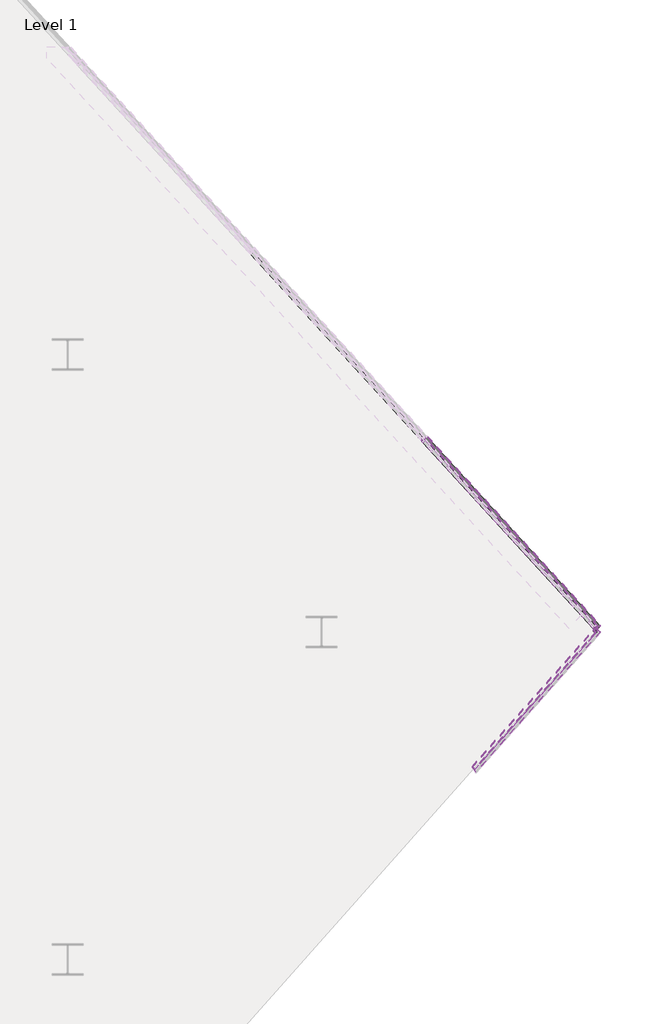
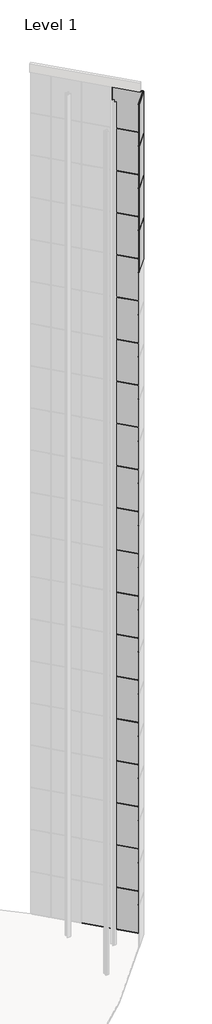
# One storey, part 23 of 25: 93 members, 24 plates.
"""IFC4 building model written with IfcOpenShell, lengths in millimetres."""

import ifcopenshell
import ifcopenshell.guid

model = None  # the IFC model being written
_history = None  # IfcOwnerHistory: only IFC2X3 demands one
_inside = {}  # id of a spatial element -> (the spatial element, [elements in it])
_under = {}  # id of a project, library or spatial element -> (it, [spatial elements below it])
_declared = {}  # id of a project -> (the project, [libraries it declares])
_typed = {}  # id of a type object -> (the type object, [elements of that type])
_made_of = {}  # id of a material, layer set ... -> (it, [elements and type objects made of it])


def new_model(schema):
    """Start an empty IFC model of exactly this schema.

    Asked for "IFC4X3", IfcOpenShell would pick the latest addendum, in which some entities
    have other attributes; the version numbers below select the first issue.
    IFC2X3 requires an IfcOwnerHistory on every rooted entity: one is made here for all.
    """
    global model, _history
    if schema == "IFC4X3":
        model = ifcopenshell.file(schema_version=(4, 3, 0, 0))
    else:
        model = ifcopenshell.file(schema=schema)
    _inside.clear()
    _under.clear()
    _declared.clear()
    _typed.clear()
    _made_of.clear()
    _history = None
    if model.schema == "IFC2X3":
        org = make("IfcOrganization", Name="unknown")
        user = make(
            "IfcPersonAndOrganization",
            ThePerson=make("IfcPerson", FamilyName="unknown"),
            TheOrganization=org,
        )
        app = make(
            "IfcApplication",
            ApplicationDeveloper=org,
            Version="unknown",
            ApplicationFullName="unknown",
            ApplicationIdentifier="unknown",
        )
        _history = make(
            "IfcOwnerHistory",
            OwningUser=user,
            OwningApplication=app,
            ChangeAction="ADDED",
            CreationDate=0,
        )
    return model


def make(cls, **values):
    """One entity of the class cls with the attributes given. An attribute that is None is left unset."""
    return model.create_entity(
        cls, **{name: value for name, value in values.items() if value is not None}
    )


def rooted(cls, **values):
    """An entity with a GlobalId (a new one), such as an element, a storey or a relation."""
    return make(cls, GlobalId=ifcopenshell.guid.new(), OwnerHistory=_history, **values)


def si_unit(unit_type, name, prefix=None):
    """IfcSIUnit, for example si_unit("LENGTHUNIT", "METRE", prefix="MILLI")."""
    return make("IfcSIUnit", UnitType=unit_type, Prefix=prefix, Name=name)


def assignment(units):
    """IfcUnitAssignment: the units of a project."""
    return None if units is None else make("IfcUnitAssignment", Units=units)


def point(xyz):
    """IfcCartesianPoint."""
    return None if xyz is None else make("IfcCartesianPoint", Coordinates=xyz)


def direction(xyz):
    """IfcDirection."""
    return None if xyz is None else make("IfcDirection", DirectionRatios=xyz)


def frame(location, z_axis=None, x_axis=None):
    """IfcAxis2Placement3D, a coordinate frame: its origin and axes. An axis left out is left unset."""
    return make(
        "IfcAxis2Placement3D",
        Location=point(location),
        Axis=direction(z_axis),
        RefDirection=direction(x_axis),
    )


def origin():
    """The frame at (0, 0, 0) with its axes left unset."""
    return frame((0.0, 0.0, 0.0))


def origin_with_axes():
    """The frame at (0, 0, 0) with the z axis (0, 0, 1) and the x axis (1, 0, 0) written out."""
    return frame((0.0, 0.0, 0.0), z_axis=(0.0, 0.0, 1.0), x_axis=(1.0, 0.0, 0.0))


def place(relative_to, where):
    """IfcLocalPlacement: puts the frame where relative to a parent placement (None: the world)."""
    return make(
        "IfcLocalPlacement", PlacementRelTo=relative_to, RelativePlacement=where
    )


def context(
    kind, dimensions, precision=None, world=None, true_north=None, identifier=None
):
    """IfcGeometricRepresentationContext, for example the 3D "Model" context."""
    return make(
        "IfcGeometricRepresentationContext",
        ContextIdentifier=identifier,
        ContextType=kind,
        CoordinateSpaceDimension=dimensions,
        Precision=precision,
        WorldCoordinateSystem=world,
        TrueNorth=true_north,
    )


def project(units=None, contexts=None):
    """IfcProject with its units and contexts."""
    return rooted(
        "IfcProject",
        Name="project",
        RepresentationContexts=contexts,
        UnitsInContext=assignment(units),
    )


def spatial(cls, under=None, at=None, **own):
    """A site, building, storey or space (cls), placed at a placement, below another one or the project."""
    s = rooted(cls, ObjectPlacement=at, **own)
    if under is not None:
        _under.setdefault(under.id(), (under, []))[1].append(s)
    return s


def polyline(points):
    """IfcPolyline through the points."""
    return make("IfcPolyline", Points=[point(p) for p in points])


def outline(outer, holes=None, kind="AREA"):
    """IfcArbitraryClosedProfileDef: a profile drawn as a closed curve; with holes, ...WithVoids."""
    if holes is None:
        return make("IfcArbitraryClosedProfileDef", ProfileType=kind, OuterCurve=outer)
    return make(
        "IfcArbitraryProfileDefWithVoids",
        ProfileType=kind,
        OuterCurve=outer,
        InnerCurves=holes,
    )


def extrude(swept, where, along, depth):
    """IfcExtrudedAreaSolid: the profile swept, set in the frame where, extruded along a direction by depth."""
    return make(
        "IfcExtrudedAreaSolid",
        SweptArea=swept,
        Position=where,
        ExtrudedDirection=direction(along),
        Depth=depth,
    )


def shape(context_of_items, identifier, shape_type, items):
    """IfcShapeRepresentation: the items that make up one representation, for example the "Body"."""
    return make(
        "IfcShapeRepresentation",
        ContextOfItems=context_of_items,
        RepresentationIdentifier=identifier,
        RepresentationType=shape_type,
        Items=items,
    )


def source(mapping_origin, context_of_items, identifier, shape_type, items):
    """IfcRepresentationMap: a shape defined once, which mapped items show again and again."""
    return make(
        "IfcRepresentationMap",
        MappingOrigin=mapping_origin,
        MappedRepresentation=shape(context_of_items, identifier, shape_type, items),
    )


def transform(
    local_origin,
    x_axis=None,
    y_axis=None,
    z_axis=None,
    scale=None,
    scale2=None,
    scale3=None,
    uniform=True,
):
    """IfcCartesianTransformationOperator3D, or its non-uniform kind. x_axis, y_axis, z_axis: its Axis1, 2, 3."""
    if uniform:
        return make(
            "IfcCartesianTransformationOperator3D",
            Axis1=direction(x_axis),
            Axis2=direction(y_axis),
            LocalOrigin=point(local_origin),
            Scale=scale,
            Axis3=direction(z_axis),
        )
    return make(
        "IfcCartesianTransformationOperator3DnonUniform",
        Axis1=direction(x_axis),
        Axis2=direction(y_axis),
        LocalOrigin=point(local_origin),
        Scale=scale,
        Axis3=direction(z_axis),
        Scale2=scale2,
        Scale3=scale3,
    )


def mapped(mapping_source, mapping_target):
    """IfcMappedItem: shows the shape of a source again, moved by a transform."""
    return make(
        "IfcMappedItem", MappingSource=mapping_source, MappingTarget=mapping_target
    )


def made_of(thing, what):
    """Note that an element or type object is made of a material, layer set ...; save() writes the relation."""
    if what is not None:
        _made_of.setdefault(what.id(), (what, []))[1].append(thing)
    return thing


def element(
    cls,
    number,
    at=None,
    inside=None,
    cuts=None,
    type_object=None,
    material=None,
    context=None,
    identifier="Body",
    shape_type=None,
    held_by="IfcProductDefinitionShape",
    body=None,
    shapes=None,
    **own,
):
    """One element of the class cls, such as IfcWall. Its Tag is "e" and its number.

    at: its placement. inside: the storey or other place that contains it. cuts: it is an
    opening in that element (IfcRelVoidsElement). A single representation is given by context,
    identifier, shape_type and body (its items); several are given by shapes. held_by: the class
    of the entity that holds the representations. save() writes the other relations.
    """
    e = rooted(cls, Tag="e%d" % number, ObjectPlacement=at, **own)
    if body is not None:
        shapes = [shape(context, identifier, shape_type, body)]
    if shapes is not None:
        e.Representation = make(held_by, Representations=shapes)
    if inside is not None:
        _inside.setdefault(inside.id(), (inside, []))[1].append(e)
    if cuts is not None:
        rooted(
            "IfcRelVoidsElement", RelatingBuildingElement=cuts, RelatedOpeningElement=e
        )
    if type_object is not None:
        _typed.setdefault(type_object.id(), (type_object, []))[1].append(e)
    return made_of(e, material)


def aggregate(whole, parts):
    """IfcRelAggregates: a whole, such as a stair, and the parts it consists of."""
    return rooted("IfcRelAggregates", RelatingObject=whole, RelatedObjects=parts)


def save(model, path):
    """Write the relations noted so far, then the file.

    IfcRelAggregates (storeys below a building ...), IfcRelContainedInSpatialStructure (elements
    in a storey), IfcRelDefinesByType, IfcRelAssociatesMaterial and IfcRelDeclares: one each for
    every whole, place, type object, material and project.
    """
    for whole, parts in _under.values():
        aggregate(whole, parts)
    for where, things in _inside.values():
        rooted(
            "IfcRelContainedInSpatialStructure",
            RelatedElements=things,
            RelatingStructure=where,
        )
    for kind, things in _typed.values():
        rooted("IfcRelDefinesByType", RelatedObjects=things, RelatingType=kind)
    for what, things in _made_of.values():
        rooted("IfcRelAssociatesMaterial", RelatedObjects=things, RelatingMaterial=what)
    for by, libraries in _declared.values():
        rooted("IfcRelDeclares", RelatingContext=by, RelatedDefinitions=libraries)
    model.write(path)


def rectangular_mullion_30mm_square_a2305603(model_context):
    return source(origin(), model_context, "Body", "SweptSolid", [
        extrude(outline(polyline([(15.0, 15.0), (15.0, -15.0), (-15.0, -15.0), (-15.0, 15.0), (15.0, 15.0)])), frame((0.0, 0.0, -4015.0), z_axis=(0.0, 0.0, 1.0), x_axis=(1.0, 0.0, 0.0)), (0.0, 0.0, 1.0), 4015.0),
    ])


def rectangular_mullion_30mm_square_2a99bbf3(model_context):
    return source(origin(), model_context, "Body", "SweptSolid", [
        extrude(outline(polyline([(15.0, 15.0), (15.0, -15.0), (-15.0, -15.0), (-15.0, 15.0), (15.0, 15.0)])), frame((0.0, 0.0, -4000.0), z_axis=(0.0, 0.0, 1.0), x_axis=(1.0, 0.0, 0.0)), (0.0, 0.0, 1.0), 4000.0),
    ])


def rectangular_mullion_30mm_square_a85e5849(model_context):
    return source(origin(), model_context, "Body", "SweptSolid", [
        extrude(outline(polyline([(15.0, 15.0), (15.0, -15.0), (-15.0, -15.0), (-15.0, 15.0), (15.0, 15.0)])), frame((0.0, 0.0, -3985.0), z_axis=(0.0, 0.0, 1.0), x_axis=(1.0, 0.0, 0.0)), (0.0, 0.0, 1.0), 3985.0),
    ])


def rectangular_mullion_30mm_square_265a0302(model_context):
    return source(origin(), model_context, "Body", "SweptSolid", [
        extrude(outline(polyline([(0.0, 15.0), (0.0, -15.0), (-30.0, -15.0), (-30.0, 15.0), (0.0, 15.0)])), frame((0.0, 0.0, -2470.0000003), z_axis=(0.0, 0.0, 1.0), x_axis=(1.0, 0.0, 0.0)), (0.0, 0.0, 1.0), 2470.0000003),
    ])


def rectangular_mullion_30mm_square_9cf49471(model_context):
    return source(origin(), model_context, "Body", "SweptSolid", [
        extrude(outline(polyline([(15.0, 15.0), (15.0, -15.0), (-15.0, -15.0), (-15.0, 15.0), (15.0, 15.0)])), frame((0.0, 0.0, -2470.0000003), z_axis=(0.0, 0.0, 1.0), x_axis=(1.0, 0.0, 0.0)), (0.0, 0.0, 1.0), 2470.0000003),
    ])


def rectangular_mullion_30mm_square_3a547694(model_context):
    return source(origin(), model_context, "Body", "SweptSolid", [
        extrude(outline(polyline([(0.0, 15.0), (0.0, -15.0), (-30.0, -15.0), (-30.0, 15.0), (0.0, 15.0)])), frame((0.0, 0.0, -1788.6361161), z_axis=(0.0, 0.0, 1.0), x_axis=(1.0, 0.0, 0.0)), (0.0, 0.0, 1.0), 1788.6361161),
    ])


def rectangular_mullion_30mm_square_89227dc2(model_context):
    return source(origin(), model_context, "Body", "SweptSolid", [
        extrude(outline(polyline([(15.0, 15.0), (15.0, -15.0), (-15.0, -15.0), (-15.0, 15.0), (15.0, 15.0)])), frame((0.0, 0.0, -1788.6361161), z_axis=(0.0, 0.0, 1.0), x_axis=(1.0, 0.0, 0.0)), (0.0, 0.0, 1.0), 1788.6361161),
    ])


def rectangular_mullion_30mm_square_3aaa00f3(model_context):
    return source(origin(), model_context, "Body", "SweptSolid", [
        extrude(outline(polyline([(0.0, 15.0), (0.0, -15.0), (-30.0, -15.0), (-30.0, 15.0), (0.0, 15.0)])), frame((0.0, 0.0, -3985.0), z_axis=(0.0, 0.0, 1.0), x_axis=(1.0, 0.0, 0.0)), (0.0, 0.0, 1.0), 3985.0),
    ])


def rectangular_mullion_30mm_square_2c0069c8(model_context):
    return source(origin(), model_context, "Body", "SweptSolid", [
        extrude(outline(polyline([(0.0, 15.0), (0.0, -15.0), (-30.0, -15.0), (-30.0, 15.0), (0.0, 15.0)])), frame((0.0, 0.0, -4015.0), z_axis=(0.0, 0.0, 1.0), x_axis=(1.0, 0.0, 0.0)), (0.0, 0.0, 1.0), 4015.0),
    ])


def rectangular_mullion_30mm_square_c8552a0d(model_context):
    return source(origin(), model_context, "Body", "SweptSolid", [
        extrude(outline(polyline([(0.0, 15.0), (0.0, -15.0), (-30.0, -15.0), (-30.0, 15.0), (0.0, 15.0)])), frame((0.0, 0.0, -4000.0), z_axis=(0.0, 0.0, 1.0), x_axis=(1.0, 0.0, 0.0)), (0.0, 0.0, 1.0), 4000.0),
    ])


def system_panel_glazed_e80f8bd5(model_context):
    return source(origin(), model_context, "Body", "SweptSolid", [
        extrude(outline(polyline([(1257.5000002, -49.5), (-1257.5000002, -49.5), (-1257.5000002, -24.5), (1257.5000002, -24.5), (1257.5000002, -49.5)])), origin_with_axes(), (0.0, 0.0, 1.0), 4000.0),
    ])


def system_panel_glazed_0d93dd52(model_context):
    return source(origin(), model_context, "Body", "SweptSolid", [
        extrude(outline(polyline([(916.818058, -49.5), (-916.818058, -49.5), (-916.818058, -24.5), (916.818058, -24.5), (916.818058, -49.5)])), origin_with_axes(), (0.0, 0.0, 1.0), 4000.0),
    ])


def system_panel_glazed_c2045af5(model_context):
    return source(origin(), model_context, "Body", "SweptSolid", [
        extrude(outline(polyline([(1257.5000002, -49.5), (-1257.5000002, -49.5), (-1257.5000002, -24.5), (1257.5000002, -24.5), (1257.5000002, -49.5)])), origin_with_axes(), (0.0, 0.0, 1.0), 4015.0),
    ])


def system_panel_glazed_84410fce(model_context):
    return source(origin(), model_context, "Body", "SweptSolid", [
        extrude(outline(polyline([(1257.5000002, -49.5), (-1257.5000002, -49.5), (-1257.5000002, -24.5), (1257.5000002, -24.5), (1257.5000002, -49.5)])), origin_with_axes(), (0.0, 0.0, 1.0), 3985.0),
    ])


def system_panel_glazed_f3a469cd(model_context):
    return source(origin(), model_context, "Body", "SweptSolid", [
        extrude(outline(polyline([(916.818058, -49.5), (-916.818058, -49.5), (-916.818058, -24.5), (916.818058, -24.5), (916.818058, -49.5)])), origin_with_axes(), (0.0, 0.0, 1.0), 3985.0),
    ])


model = new_model("IFC4")

# Units and contexts
model_context = context("Model", 3, world=origin())
ifc_project = project(units=[si_unit("LENGTHUNIT", "METRE", prefix="MILLI")], contexts=[model_context])

# Site, building, storey
site = spatial("IfcSite", under=ifc_project)
building = spatial("IfcBuilding", under=site)
storey = spatial("IfcBuildingStorey", under=building, Name="Level 1", Elevation=0.0)

# Members
placement = place(None, origin())
rectangular_mullion_30mm_square_shape = rectangular_mullion_30mm_square_a2305603(model_context)
element("IfcMember", 1, ObjectType="Rectangular Mullion : 30mm Square", at=placement, inside=storey, context=model_context, shape_type="MappedRepresentation", body=[
    mapped(rectangular_mullion_30mm_square_shape, transform((21258.5522925, 2552.6061197, 0.0), x_axis=(-0.6757246285173437, 0.7371541402007438, 0.0), y_axis=(0.7371541402007438, 0.6757246285173437, 0.0), z_axis=(0.0, 0.0, -1.0))),
])
rectangular_mullion_30mm_square_2_shape = rectangular_mullion_30mm_square_2a99bbf3(model_context)
element("IfcMember", 2, ObjectType="Rectangular Mullion : 30mm Square", at=placement, inside=storey, context=model_context, shape_type="MappedRepresentation", body=[
    mapped(rectangular_mullion_30mm_square_2_shape, transform((21258.5522925, 2552.6061197, 4015.0), x_axis=(-0.6757246285173437, 0.7371541402007438, 0.0), y_axis=(0.7371541402007438, 0.6757246285173437, 0.0), z_axis=(0.0, 0.0, -1.0))),
])
element("IfcMember", 3, ObjectType="Rectangular Mullion : 30mm Square", at=placement, inside=storey, context=model_context, shape_type="MappedRepresentation", body=[
    mapped(rectangular_mullion_30mm_square_2_shape, transform((21258.5522925, 2552.6061197, 8015.0), x_axis=(-0.6757246285173437, 0.7371541402007438, 0.0), y_axis=(0.7371541402007438, 0.6757246285173437, 0.0), z_axis=(0.0, 0.0, -1.0))),
])
element("IfcMember", 4, ObjectType="Rectangular Mullion : 30mm Square", at=placement, inside=storey, context=model_context, shape_type="MappedRepresentation", body=[
    mapped(rectangular_mullion_30mm_square_2_shape, transform((21258.5522925, 2552.6061197, 12015.0), x_axis=(-0.6757246285173437, 0.7371541402007438, 0.0), y_axis=(0.7371541402007438, 0.6757246285173437, 0.0), z_axis=(0.0, 0.0, -1.0))),
])
element("IfcMember", 5, ObjectType="Rectangular Mullion : 30mm Square", at=placement, inside=storey, context=model_context, shape_type="MappedRepresentation", body=[
    mapped(rectangular_mullion_30mm_square_2_shape, transform((21258.5522925, 2552.6061197, 16015.0), x_axis=(-0.6757246285173437, 0.7371541402007438, 0.0), y_axis=(0.7371541402007438, 0.6757246285173437, 0.0), z_axis=(0.0, 0.0, -1.0))),
])
element("IfcMember", 6, ObjectType="Rectangular Mullion : 30mm Square", at=placement, inside=storey, context=model_context, shape_type="MappedRepresentation", body=[
    mapped(rectangular_mullion_30mm_square_2_shape, transform((21258.5522925, 2552.6061197, 20015.0), x_axis=(-0.6757246285173437, 0.7371541402007438, 0.0), y_axis=(0.7371541402007438, 0.6757246285173437, 0.0), z_axis=(0.0, 0.0, -1.0))),
])
element("IfcMember", 7, ObjectType="Rectangular Mullion : 30mm Square", at=placement, inside=storey, context=model_context, shape_type="MappedRepresentation", body=[
    mapped(rectangular_mullion_30mm_square_2_shape, transform((21258.5522925, 2552.6061197, 24015.0), x_axis=(-0.6757246285173437, 0.7371541402007438, 0.0), y_axis=(0.7371541402007438, 0.6757246285173437, 0.0), z_axis=(0.0, 0.0, -1.0))),
])
element("IfcMember", 8, ObjectType="Rectangular Mullion : 30mm Square", at=placement, inside=storey, context=model_context, shape_type="MappedRepresentation", body=[
    mapped(rectangular_mullion_30mm_square_2_shape, transform((21258.5522925, 2552.6061197, 28015.0), x_axis=(-0.6757246285173437, 0.7371541402007438, 0.0), y_axis=(0.7371541402007438, 0.6757246285173437, 0.0), z_axis=(0.0, 0.0, -1.0))),
])
element("IfcMember", 9, ObjectType="Rectangular Mullion : 30mm Square", at=placement, inside=storey, context=model_context, shape_type="MappedRepresentation", body=[
    mapped(rectangular_mullion_30mm_square_2_shape, transform((21258.5522925, 2552.6061197, 32015.0), x_axis=(-0.6757246285173437, 0.7371541402007438, 0.0), y_axis=(0.7371541402007438, 0.6757246285173437, 0.0), z_axis=(0.0, 0.0, -1.0))),
])
element("IfcMember", 10, ObjectType="Rectangular Mullion : 30mm Square", at=placement, inside=storey, context=model_context, shape_type="MappedRepresentation", body=[
    mapped(rectangular_mullion_30mm_square_2_shape, transform((21258.5522925, 2552.6061197, 36015.0), x_axis=(-0.6757246285173437, 0.7371541402007438, 0.0), y_axis=(0.7371541402007438, 0.6757246285173437, 0.0), z_axis=(0.0, 0.0, -1.0))),
])
element("IfcMember", 11, ObjectType="Rectangular Mullion : 30mm Square", at=placement, inside=storey, context=model_context, shape_type="MappedRepresentation", body=[
    mapped(rectangular_mullion_30mm_square_2_shape, transform((21258.5522925, 2552.6061197, 40015.0), x_axis=(-0.6757246285173437, 0.7371541402007438, 0.0), y_axis=(0.7371541402007438, 0.6757246285173437, 0.0), z_axis=(0.0, 0.0, -1.0))),
])
element("IfcMember", 12, ObjectType="Rectangular Mullion : 30mm Square", at=placement, inside=storey, context=model_context, shape_type="MappedRepresentation", body=[
    mapped(rectangular_mullion_30mm_square_2_shape, transform((21258.5522925, 2552.6061197, 44015.0), x_axis=(-0.6757246285173437, 0.7371541402007438, 0.0), y_axis=(0.7371541402007438, 0.6757246285173437, 0.0), z_axis=(0.0, 0.0, -1.0))),
])
element("IfcMember", 13, ObjectType="Rectangular Mullion : 30mm Square", at=placement, inside=storey, context=model_context, shape_type="MappedRepresentation", body=[
    mapped(rectangular_mullion_30mm_square_2_shape, transform((21258.5522925, 2552.6061197, 48015.0), x_axis=(-0.6757246285173437, 0.7371541402007438, 0.0), y_axis=(0.7371541402007438, 0.6757246285173437, 0.0), z_axis=(0.0, 0.0, -1.0))),
])
element("IfcMember", 14, ObjectType="Rectangular Mullion : 30mm Square", at=placement, inside=storey, context=model_context, shape_type="MappedRepresentation", body=[
    mapped(rectangular_mullion_30mm_square_2_shape, transform((21258.5522925, 2552.6061197, 52015.0), x_axis=(-0.6757246285173437, 0.7371541402007438, 0.0), y_axis=(0.7371541402007438, 0.6757246285173437, 0.0), z_axis=(0.0, 0.0, -1.0))),
])
element("IfcMember", 15, ObjectType="Rectangular Mullion : 30mm Square", at=placement, inside=storey, context=model_context, shape_type="MappedRepresentation", body=[
    mapped(rectangular_mullion_30mm_square_2_shape, transform((21258.5522925, 2552.6061197, 56015.0), x_axis=(-0.6757246285173437, 0.7371541402007438, 0.0), y_axis=(0.7371541402007438, 0.6757246285173437, 0.0), z_axis=(0.0, 0.0, -1.0))),
])
element("IfcMember", 16, ObjectType="Rectangular Mullion : 30mm Square", at=placement, inside=storey, context=model_context, shape_type="MappedRepresentation", body=[
    mapped(rectangular_mullion_30mm_square_2_shape, transform((21258.5522925, 2552.6061197, 60015.0), x_axis=(-0.6757246285173437, 0.7371541402007438, 0.0), y_axis=(0.7371541402007438, 0.6757246285173437, 0.0), z_axis=(0.0, 0.0, -1.0))),
])
element("IfcMember", 17, ObjectType="Rectangular Mullion : 30mm Square", at=placement, inside=storey, context=model_context, shape_type="MappedRepresentation", body=[
    mapped(rectangular_mullion_30mm_square_2_shape, transform((21258.5522925, 2552.6061197, 64015.0), x_axis=(-0.6757246285173437, 0.7371541402007438, 0.0), y_axis=(0.7371541402007438, 0.6757246285173437, 0.0), z_axis=(0.0, 0.0, -1.0))),
])
element("IfcMember", 18, ObjectType="Rectangular Mullion : 30mm Square", at=placement, inside=storey, context=model_context, shape_type="MappedRepresentation", body=[
    mapped(rectangular_mullion_30mm_square_2_shape, transform((21258.5522925, 2552.6061197, 68015.0), x_axis=(-0.6757246285173437, 0.7371541402007438, 0.0), y_axis=(0.7371541402007438, 0.6757246285173437, 0.0), z_axis=(0.0, 0.0, -1.0))),
])
element("IfcMember", 19, ObjectType="Rectangular Mullion : 30mm Square", at=placement, inside=storey, context=model_context, shape_type="MappedRepresentation", body=[
    mapped(rectangular_mullion_30mm_square_2_shape, transform((21258.5522925, 2552.6061197, 72015.0), x_axis=(-0.6757246285173437, 0.7371541402007438, 0.0), y_axis=(0.7371541402007438, 0.6757246285173437, 0.0), z_axis=(0.0, 0.0, -1.0))),
])
rectangular_mullion_30mm_square_3_shape = rectangular_mullion_30mm_square_a85e5849(model_context)
element("IfcMember", 20, ObjectType="Rectangular Mullion : 30mm Square", at=placement, inside=storey, context=model_context, shape_type="MappedRepresentation", body=[
    mapped(rectangular_mullion_30mm_square_3_shape, transform((21258.5522925, 2552.6061197, 76015.0), x_axis=(-0.6757246285173437, 0.7371541402007438, 0.0), y_axis=(0.7371541402007438, 0.6757246285173437, 0.0), z_axis=(0.0, 0.0, -1.0))),
])
rectangular_mullion_30mm_square_4_shape = rectangular_mullion_30mm_square_265a0302(model_context)
element("IfcMember", 21, ObjectType="Rectangular Mullion : 30mm Square", at=placement, inside=storey, context=model_context, shape_type="MappedRepresentation", body=[
    mapped(rectangular_mullion_30mm_square_4_shape, transform((21268.6881619, 2541.5488076, 80000.0), x_axis=(0.0, 0.0, 1.0), y_axis=(0.7371541402007438, 0.6757246285173438, 0.0), z_axis=(-0.6757246285173438, 0.7371541402007438, 0.0))),
])
element("IfcMember", 22, ObjectType="Rectangular Mullion : 30mm Square", at=placement, inside=storey, context=model_context, shape_type="MappedRepresentation", body=[
    mapped(rectangular_mullion_30mm_square_4_shape, transform((22937.7279945, 720.7780811, 0.0), x_axis=(0.0, 0.0, -1.0), y_axis=(0.7371541402007438, 0.6757246285173438, 0.0), z_axis=(0.6757246285173438, -0.7371541402007438, 0.0))),
])
element("IfcMember", 23, ObjectType="Rectangular Mullion : 30mm Square", at=placement, inside=storey, context=model_context, shape_type="MappedRepresentation", body=[
    mapped(rectangular_mullion_30mm_square_4_shape, transform((21248.416423, 2563.6634318, 0.0), x_axis=(0.0, 0.0, -1.0), y_axis=(0.7371541402007438, 0.6757246285173438, 0.0), z_axis=(0.6757246285173438, -0.7371541402007438, 0.0))),
])
rectangular_mullion_30mm_square_5_shape = rectangular_mullion_30mm_square_9cf49471(model_context)
element("IfcMember", 24, ObjectType="Rectangular Mullion : 30mm Square", at=placement, inside=storey, context=model_context, shape_type="MappedRepresentation", body=[
    mapped(rectangular_mullion_30mm_square_5_shape, transform((21268.6881619, 2541.5488076, 4015.0), x_axis=(0.0, 0.0, 1.0), y_axis=(0.7371541402007438, 0.6757246285173438, 0.0), z_axis=(-0.6757246285173438, 0.7371541402007438, 0.0))),
])
element("IfcMember", 25, ObjectType="Rectangular Mullion : 30mm Square", at=placement, inside=storey, context=model_context, shape_type="MappedRepresentation", body=[
    mapped(rectangular_mullion_30mm_square_5_shape, transform((21268.6881619, 2541.5488076, 8015.0), x_axis=(0.0, 0.0, 1.0), y_axis=(0.7371541402007438, 0.6757246285173438, 0.0), z_axis=(-0.6757246285173438, 0.7371541402007438, 0.0))),
])
element("IfcMember", 26, ObjectType="Rectangular Mullion : 30mm Square", at=placement, inside=storey, context=model_context, shape_type="MappedRepresentation", body=[
    mapped(rectangular_mullion_30mm_square_5_shape, transform((21268.6881619, 2541.5488076, 12015.0), x_axis=(0.0, 0.0, 1.0), y_axis=(0.7371541402007438, 0.6757246285173438, 0.0), z_axis=(-0.6757246285173438, 0.7371541402007438, 0.0))),
])
element("IfcMember", 27, ObjectType="Rectangular Mullion : 30mm Square", at=placement, inside=storey, context=model_context, shape_type="MappedRepresentation", body=[
    mapped(rectangular_mullion_30mm_square_5_shape, transform((21268.6881619, 2541.5488076, 16015.0), x_axis=(0.0, 0.0, 1.0), y_axis=(0.7371541402007438, 0.6757246285173438, 0.0), z_axis=(-0.6757246285173438, 0.7371541402007438, 0.0))),
])
element("IfcMember", 28, ObjectType="Rectangular Mullion : 30mm Square", at=placement, inside=storey, context=model_context, shape_type="MappedRepresentation", body=[
    mapped(rectangular_mullion_30mm_square_5_shape, transform((21268.6881619, 2541.5488076, 20015.0), x_axis=(0.0, 0.0, 1.0), y_axis=(0.7371541402007438, 0.6757246285173438, 0.0), z_axis=(-0.6757246285173438, 0.7371541402007438, 0.0))),
])
element("IfcMember", 29, ObjectType="Rectangular Mullion : 30mm Square", at=placement, inside=storey, context=model_context, shape_type="MappedRepresentation", body=[
    mapped(rectangular_mullion_30mm_square_5_shape, transform((21268.6881619, 2541.5488076, 24015.0), x_axis=(0.0, 0.0, 1.0), y_axis=(0.7371541402007438, 0.6757246285173438, 0.0), z_axis=(-0.6757246285173438, 0.7371541402007438, 0.0))),
])
element("IfcMember", 30, ObjectType="Rectangular Mullion : 30mm Square", at=placement, inside=storey, context=model_context, shape_type="MappedRepresentation", body=[
    mapped(rectangular_mullion_30mm_square_5_shape, transform((21268.6881619, 2541.5488076, 28015.0), x_axis=(0.0, 0.0, 1.0), y_axis=(0.7371541402007438, 0.6757246285173438, 0.0), z_axis=(-0.6757246285173438, 0.7371541402007438, 0.0))),
])
element("IfcMember", 31, ObjectType="Rectangular Mullion : 30mm Square", at=placement, inside=storey, context=model_context, shape_type="MappedRepresentation", body=[
    mapped(rectangular_mullion_30mm_square_5_shape, transform((21268.6881619, 2541.5488076, 32015.0), x_axis=(0.0, 0.0, 1.0), y_axis=(0.7371541402007438, 0.6757246285173438, 0.0), z_axis=(-0.6757246285173438, 0.7371541402007438, 0.0))),
])
element("IfcMember", 32, ObjectType="Rectangular Mullion : 30mm Square", at=placement, inside=storey, context=model_context, shape_type="MappedRepresentation", body=[
    mapped(rectangular_mullion_30mm_square_5_shape, transform((21268.6881619, 2541.5488076, 36015.0), x_axis=(0.0, 0.0, 1.0), y_axis=(0.7371541402007438, 0.6757246285173438, 0.0), z_axis=(-0.6757246285173438, 0.7371541402007438, 0.0))),
])
element("IfcMember", 33, ObjectType="Rectangular Mullion : 30mm Square", at=placement, inside=storey, context=model_context, shape_type="MappedRepresentation", body=[
    mapped(rectangular_mullion_30mm_square_5_shape, transform((21268.6881619, 2541.5488076, 40015.0), x_axis=(0.0, 0.0, 1.0), y_axis=(0.7371541402007438, 0.6757246285173438, 0.0), z_axis=(-0.6757246285173438, 0.7371541402007438, 0.0))),
])
rectangular_mullion_30mm_square_6_shape = rectangular_mullion_30mm_square_3a547694(model_context)
element("IfcMember", 34, ObjectType="Rectangular Mullion : 30mm Square", at=placement, inside=storey, context=model_context, shape_type="MappedRepresentation", body=[
    mapped(rectangular_mullion_30mm_square_6_shape, transform((22938.0754517, 676.2352826, 80000.0), x_axis=(0.0, 0.0, 1.0), y_axis=(0.747605807902748, -0.6641427226056756, 0.0), z_axis=(0.6641427226056756, 0.747605807902748, 0.0))),
])
rectangular_mullion_30mm_square_7_shape = rectangular_mullion_30mm_square_89227dc2(model_context)
element("IfcMember", 35, ObjectType="Rectangular Mullion : 30mm Square", at=placement, inside=storey, context=model_context, shape_type="MappedRepresentation", body=[
    mapped(rectangular_mullion_30mm_square_7_shape, transform((22938.0754517, 676.2352826, 4015.0), x_axis=(0.0, 0.0, 1.0), y_axis=(0.747605807902748, -0.6641427226056756, 0.0), z_axis=(0.6641427226056756, 0.747605807902748, 0.0))),
])
element("IfcMember", 36, ObjectType="Rectangular Mullion : 30mm Square", at=placement, inside=storey, context=model_context, shape_type="MappedRepresentation", body=[
    mapped(rectangular_mullion_30mm_square_7_shape, transform((22938.0754517, 676.2352826, 8015.0), x_axis=(0.0, 0.0, 1.0), y_axis=(0.747605807902748, -0.6641427226056756, 0.0), z_axis=(0.6641427226056756, 0.747605807902748, 0.0))),
])
element("IfcMember", 37, ObjectType="Rectangular Mullion : 30mm Square", at=placement, inside=storey, context=model_context, shape_type="MappedRepresentation", body=[
    mapped(rectangular_mullion_30mm_square_7_shape, transform((22938.0754517, 676.2352826, 12015.0), x_axis=(0.0, 0.0, 1.0), y_axis=(0.747605807902748, -0.6641427226056756, 0.0), z_axis=(0.6641427226056756, 0.747605807902748, 0.0))),
])
element("IfcMember", 38, ObjectType="Rectangular Mullion : 30mm Square", at=placement, inside=storey, context=model_context, shape_type="MappedRepresentation", body=[
    mapped(rectangular_mullion_30mm_square_7_shape, transform((22938.0754517, 676.2352826, 16015.0), x_axis=(0.0, 0.0, 1.0), y_axis=(0.747605807902748, -0.6641427226056756, 0.0), z_axis=(0.6641427226056756, 0.747605807902748, 0.0))),
])
element("IfcMember", 39, ObjectType="Rectangular Mullion : 30mm Square", at=placement, inside=storey, context=model_context, shape_type="MappedRepresentation", body=[
    mapped(rectangular_mullion_30mm_square_7_shape, transform((22938.0754517, 676.2352826, 20015.0), x_axis=(0.0, 0.0, 1.0), y_axis=(0.747605807902748, -0.6641427226056756, 0.0), z_axis=(0.6641427226056756, 0.747605807902748, 0.0))),
])
element("IfcMember", 40, ObjectType="Rectangular Mullion : 30mm Square", at=placement, inside=storey, context=model_context, shape_type="MappedRepresentation", body=[
    mapped(rectangular_mullion_30mm_square_7_shape, transform((22938.0754517, 676.2352826, 24015.0), x_axis=(0.0, 0.0, 1.0), y_axis=(0.747605807902748, -0.6641427226056756, 0.0), z_axis=(0.6641427226056756, 0.747605807902748, 0.0))),
])
element("IfcMember", 41, ObjectType="Rectangular Mullion : 30mm Square", at=placement, inside=storey, context=model_context, shape_type="MappedRepresentation", body=[
    mapped(rectangular_mullion_30mm_square_7_shape, transform((22938.0754517, 676.2352826, 28015.0), x_axis=(0.0, 0.0, 1.0), y_axis=(0.747605807902748, -0.6641427226056756, 0.0), z_axis=(0.6641427226056756, 0.747605807902748, 0.0))),
])
element("IfcMember", 42, ObjectType="Rectangular Mullion : 30mm Square", at=placement, inside=storey, context=model_context, shape_type="MappedRepresentation", body=[
    mapped(rectangular_mullion_30mm_square_7_shape, transform((22938.0754517, 676.2352826, 32015.0), x_axis=(0.0, 0.0, 1.0), y_axis=(0.747605807902748, -0.6641427226056756, 0.0), z_axis=(0.6641427226056756, 0.747605807902748, 0.0))),
])
element("IfcMember", 43, ObjectType="Rectangular Mullion : 30mm Square", at=placement, inside=storey, context=model_context, shape_type="MappedRepresentation", body=[
    mapped(rectangular_mullion_30mm_square_7_shape, transform((22938.0754517, 676.2352826, 36015.0), x_axis=(0.0, 0.0, 1.0), y_axis=(0.747605807902748, -0.6641427226056756, 0.0), z_axis=(0.6641427226056756, 0.747605807902748, 0.0))),
])
element("IfcMember", 44, ObjectType="Rectangular Mullion : 30mm Square", at=placement, inside=storey, context=model_context, shape_type="MappedRepresentation", body=[
    mapped(rectangular_mullion_30mm_square_7_shape, transform((22938.0754517, 676.2352826, 40015.0), x_axis=(0.0, 0.0, 1.0), y_axis=(0.747605807902748, -0.6641427226056756, 0.0), z_axis=(0.6641427226056756, 0.747605807902748, 0.0))),
])
element("IfcMember", 45, ObjectType="Rectangular Mullion : 30mm Square", at=placement, inside=storey, context=model_context, shape_type="MappedRepresentation", body=[
    mapped(rectangular_mullion_30mm_square_7_shape, transform((22938.0754517, 676.2352826, 44015.0), x_axis=(0.0, 0.0, 1.0), y_axis=(0.747605807902748, -0.6641427226056756, 0.0), z_axis=(0.6641427226056756, 0.747605807902748, 0.0))),
])
element("IfcMember", 46, ObjectType="Rectangular Mullion : 30mm Square", at=placement, inside=storey, context=model_context, shape_type="MappedRepresentation", body=[
    mapped(rectangular_mullion_30mm_square_7_shape, transform((22938.0754517, 676.2352826, 48015.0), x_axis=(0.0, 0.0, 1.0), y_axis=(0.747605807902748, -0.6641427226056756, 0.0), z_axis=(0.6641427226056756, 0.747605807902748, 0.0))),
])
element("IfcMember", 47, ObjectType="Rectangular Mullion : 30mm Square", at=placement, inside=storey, context=model_context, shape_type="MappedRepresentation", body=[
    mapped(rectangular_mullion_30mm_square_7_shape, transform((22938.0754517, 676.2352826, 52015.0), x_axis=(0.0, 0.0, 1.0), y_axis=(0.747605807902748, -0.6641427226056756, 0.0), z_axis=(0.6641427226056756, 0.747605807902748, 0.0))),
])
element("IfcMember", 48, ObjectType="Rectangular Mullion : 30mm Square", at=placement, inside=storey, context=model_context, shape_type="MappedRepresentation", body=[
    mapped(rectangular_mullion_30mm_square_7_shape, transform((22938.0754517, 676.2352826, 56015.0), x_axis=(0.0, 0.0, 1.0), y_axis=(0.747605807902748, -0.6641427226056756, 0.0), z_axis=(0.6641427226056756, 0.747605807902748, 0.0))),
])
element("IfcMember", 49, ObjectType="Rectangular Mullion : 30mm Square", at=placement, inside=storey, context=model_context, shape_type="MappedRepresentation", body=[
    mapped(rectangular_mullion_30mm_square_7_shape, transform((22938.0754517, 676.2352826, 60015.0), x_axis=(0.0, 0.0, 1.0), y_axis=(0.7476058079027478, -0.664142722605676, 0.0), z_axis=(0.664142722605676, 0.7476058079027478, 0.0))),
])
element("IfcMember", 50, ObjectType="Rectangular Mullion : 30mm Square", at=placement, inside=storey, context=model_context, shape_type="MappedRepresentation", body=[
    mapped(rectangular_mullion_30mm_square_7_shape, transform((22938.0754517, 676.2352826, 64015.0), x_axis=(0.0, 0.0, 1.0), y_axis=(0.7476058079027478, -0.664142722605676, 0.0), z_axis=(0.664142722605676, 0.7476058079027478, 0.0))),
])
element("IfcMember", 51, ObjectType="Rectangular Mullion : 30mm Square", at=placement, inside=storey, context=model_context, shape_type="MappedRepresentation", body=[
    mapped(rectangular_mullion_30mm_square_7_shape, transform((22938.0754517, 676.2352826, 68015.0), x_axis=(0.0, 0.0, 1.0), y_axis=(0.7476058079027478, -0.664142722605676, 0.0), z_axis=(0.664142722605676, 0.7476058079027478, 0.0))),
])
element("IfcMember", 52, ObjectType="Rectangular Mullion : 30mm Square", at=placement, inside=storey, context=model_context, shape_type="MappedRepresentation", body=[
    mapped(rectangular_mullion_30mm_square_7_shape, transform((22938.0754517, 676.2352826, 72015.0), x_axis=(0.0, 0.0, 1.0), y_axis=(0.7476058079027478, -0.664142722605676, 0.0), z_axis=(0.664142722605676, 0.7476058079027478, 0.0))),
])
element("IfcMember", 53, ObjectType="Rectangular Mullion : 30mm Square", at=placement, inside=storey, context=model_context, shape_type="MappedRepresentation", body=[
    mapped(rectangular_mullion_30mm_square_7_shape, transform((22938.0754517, 676.2352826, 76015.0), x_axis=(0.0, 0.0, 1.0), y_axis=(0.747605807902748, -0.6641427226056756, 0.0), z_axis=(0.6641427226056756, 0.747605807902748, 0.0))),
])
rectangular_mullion_30mm_square_8_shape = rectangular_mullion_30mm_square_3aaa00f3(model_context)
element("IfcMember", 54, ObjectType="Rectangular Mullion : 30mm Square", at=placement, inside=storey, context=model_context, shape_type="MappedRepresentation", body=[
    mapped(rectangular_mullion_30mm_square_8_shape, transform((22957.9997334, 698.6634569, 80000.0), x_axis=(0.6757246285173437, -0.7371541402007438, 0.0), y_axis=(0.7371541402007438, 0.6757246285173437, 0.0), z_axis=(0.0, 0.0, 1.0))),
])
rectangular_mullion_30mm_square_9_shape = rectangular_mullion_30mm_square_2c0069c8(model_context)
element("IfcMember", 55, ObjectType="Rectangular Mullion : 30mm Square", at=placement, inside=storey, context=model_context, shape_type="MappedRepresentation", body=[
    mapped(rectangular_mullion_30mm_square_9_shape, transform((22957.9997334, 698.6634569, 4015.0), x_axis=(0.6757246285173437, -0.7371541402007438, 0.0), y_axis=(0.7371541402007438, 0.6757246285173437, 0.0), z_axis=(0.0, 0.0, 1.0))),
])
rectangular_mullion_30mm_square_10_shape = rectangular_mullion_30mm_square_c8552a0d(model_context)
element("IfcMember", 56, ObjectType="Rectangular Mullion : 30mm Square", at=placement, inside=storey, context=model_context, shape_type="MappedRepresentation", body=[
    mapped(rectangular_mullion_30mm_square_10_shape, transform((22957.9997334, 698.6634569, 8015.0), x_axis=(0.6757246285173437, -0.7371541402007438, 0.0), y_axis=(0.7371541402007438, 0.6757246285173437, 0.0), z_axis=(0.0, 0.0, 1.0))),
])
element("IfcMember", 57, ObjectType="Rectangular Mullion : 30mm Square", at=placement, inside=storey, context=model_context, shape_type="MappedRepresentation", body=[
    mapped(rectangular_mullion_30mm_square_10_shape, transform((22957.9997334, 698.6634569, 12015.0), x_axis=(0.6757246285173437, -0.7371541402007438, 0.0), y_axis=(0.7371541402007438, 0.6757246285173437, 0.0), z_axis=(0.0, 0.0, 1.0))),
])
element("IfcMember", 58, ObjectType="Rectangular Mullion : 30mm Square", at=placement, inside=storey, context=model_context, shape_type="MappedRepresentation", body=[
    mapped(rectangular_mullion_30mm_square_10_shape, transform((22957.9997334, 698.6634569, 16015.0), x_axis=(0.6757246285173437, -0.7371541402007438, 0.0), y_axis=(0.7371541402007438, 0.6757246285173437, 0.0), z_axis=(0.0, 0.0, 1.0))),
])
element("IfcMember", 59, ObjectType="Rectangular Mullion : 30mm Square", at=placement, inside=storey, context=model_context, shape_type="MappedRepresentation", body=[
    mapped(rectangular_mullion_30mm_square_10_shape, transform((22957.9997334, 698.6634569, 20015.0), x_axis=(0.6757246285173437, -0.7371541402007438, 0.0), y_axis=(0.7371541402007438, 0.6757246285173437, 0.0), z_axis=(0.0, 0.0, 1.0))),
])
element("IfcMember", 60, ObjectType="Rectangular Mullion : 30mm Square", at=placement, inside=storey, context=model_context, shape_type="MappedRepresentation", body=[
    mapped(rectangular_mullion_30mm_square_10_shape, transform((22957.9997334, 698.6634569, 24015.0), x_axis=(0.6757246285173437, -0.7371541402007438, 0.0), y_axis=(0.7371541402007438, 0.6757246285173437, 0.0), z_axis=(0.0, 0.0, 1.0))),
])
element("IfcMember", 61, ObjectType="Rectangular Mullion : 30mm Square", at=placement, inside=storey, context=model_context, shape_type="MappedRepresentation", body=[
    mapped(rectangular_mullion_30mm_square_10_shape, transform((22957.9997334, 698.6634569, 28015.0), x_axis=(0.6757246285173437, -0.7371541402007438, 0.0), y_axis=(0.7371541402007438, 0.6757246285173437, 0.0), z_axis=(0.0, 0.0, 1.0))),
])
element("IfcMember", 62, ObjectType="Rectangular Mullion : 30mm Square", at=placement, inside=storey, context=model_context, shape_type="MappedRepresentation", body=[
    mapped(rectangular_mullion_30mm_square_10_shape, transform((22957.9997334, 698.6634569, 32015.0), x_axis=(0.6757246285173437, -0.7371541402007438, 0.0), y_axis=(0.7371541402007438, 0.6757246285173437, 0.0), z_axis=(0.0, 0.0, 1.0))),
])
element("IfcMember", 63, ObjectType="Rectangular Mullion : 30mm Square", at=placement, inside=storey, context=model_context, shape_type="MappedRepresentation", body=[
    mapped(rectangular_mullion_30mm_square_10_shape, transform((22957.9997334, 698.6634569, 36015.0), x_axis=(0.6757246285173437, -0.7371541402007438, 0.0), y_axis=(0.7371541402007438, 0.6757246285173437, 0.0), z_axis=(0.0, 0.0, 1.0))),
])
element("IfcMember", 64, ObjectType="Rectangular Mullion : 30mm Square", at=placement, inside=storey, context=model_context, shape_type="MappedRepresentation", body=[
    mapped(rectangular_mullion_30mm_square_10_shape, transform((22957.9997334, 698.6634569, 40015.0), x_axis=(0.6757246285173437, -0.7371541402007438, 0.0), y_axis=(0.7371541402007438, 0.6757246285173437, 0.0), z_axis=(0.0, 0.0, 1.0))),
])
element("IfcMember", 65, ObjectType="Rectangular Mullion : 30mm Square", at=placement, inside=storey, context=model_context, shape_type="MappedRepresentation", body=[
    mapped(rectangular_mullion_30mm_square_10_shape, transform((22957.9997334, 698.6634569, 44015.0), x_axis=(0.6757246285173437, -0.7371541402007438, 0.0), y_axis=(0.7371541402007438, 0.6757246285173437, 0.0), z_axis=(0.0, 0.0, 1.0))),
])
element("IfcMember", 66, ObjectType="Rectangular Mullion : 30mm Square", at=placement, inside=storey, context=model_context, shape_type="MappedRepresentation", body=[
    mapped(rectangular_mullion_30mm_square_10_shape, transform((22957.9997334, 698.6634569, 48015.0), x_axis=(0.6757246285173437, -0.7371541402007438, 0.0), y_axis=(0.7371541402007438, 0.6757246285173437, 0.0), z_axis=(0.0, 0.0, 1.0))),
])
element("IfcMember", 67, ObjectType="Rectangular Mullion : 30mm Square", at=placement, inside=storey, context=model_context, shape_type="MappedRepresentation", body=[
    mapped(rectangular_mullion_30mm_square_10_shape, transform((22957.9997334, 698.6634569, 52015.0), x_axis=(0.6757246285173437, -0.7371541402007438, 0.0), y_axis=(0.7371541402007438, 0.6757246285173437, 0.0), z_axis=(0.0, 0.0, 1.0))),
])
element("IfcMember", 68, ObjectType="Rectangular Mullion : 30mm Square", at=placement, inside=storey, context=model_context, shape_type="MappedRepresentation", body=[
    mapped(rectangular_mullion_30mm_square_10_shape, transform((22957.9997334, 698.6634569, 56015.0), x_axis=(0.6757246285173437, -0.7371541402007438, 0.0), y_axis=(0.7371541402007438, 0.6757246285173437, 0.0), z_axis=(0.0, 0.0, 1.0))),
])
element("IfcMember", 69, ObjectType="Rectangular Mullion : 30mm Square", at=placement, inside=storey, context=model_context, shape_type="MappedRepresentation", body=[
    mapped(rectangular_mullion_30mm_square_10_shape, transform((22957.9997334, 698.6634569, 60015.0), x_axis=(0.6757246285173437, -0.7371541402007438, 0.0), y_axis=(0.7371541402007438, 0.6757246285173437, 0.0), z_axis=(0.0, 0.0, 1.0))),
])
element("IfcMember", 70, ObjectType="Rectangular Mullion : 30mm Square", at=placement, inside=storey, context=model_context, shape_type="MappedRepresentation", body=[
    mapped(rectangular_mullion_30mm_square_10_shape, transform((22957.9997334, 698.6634569, 64015.0), x_axis=(0.6757246285173437, -0.7371541402007438, 0.0), y_axis=(0.7371541402007438, 0.6757246285173437, 0.0), z_axis=(0.0, 0.0, 1.0))),
])
element("IfcMember", 71, ObjectType="Rectangular Mullion : 30mm Square", at=placement, inside=storey, context=model_context, shape_type="MappedRepresentation", body=[
    mapped(rectangular_mullion_30mm_square_10_shape, transform((22957.9997334, 698.6634569, 68015.0), x_axis=(0.6757246285173437, -0.7371541402007438, 0.0), y_axis=(0.7371541402007438, 0.6757246285173437, 0.0), z_axis=(0.0, 0.0, 1.0))),
])
element("IfcMember", 72, ObjectType="Rectangular Mullion : 30mm Square", at=placement, inside=storey, context=model_context, shape_type="MappedRepresentation", body=[
    mapped(rectangular_mullion_30mm_square_10_shape, transform((22957.9997334, 698.6634569, 72015.0), x_axis=(0.6757246285173437, -0.7371541402007438, 0.0), y_axis=(0.7371541402007438, 0.6757246285173437, 0.0), z_axis=(0.0, 0.0, 1.0))),
])
element("IfcMember", 73, ObjectType="Rectangular Mullion : 30mm Square", at=placement, inside=storey, context=model_context, shape_type="MappedRepresentation", body=[
    mapped(rectangular_mullion_30mm_square_10_shape, transform((22957.9997334, 698.6634569, 76015.0), x_axis=(0.6757246285173437, -0.7371541402007438, 0.0), y_axis=(0.7371541402007438, 0.6757246285173437, 0.0), z_axis=(0.0, 0.0, 1.0))),
])
element("IfcMember", 74, ObjectType="Rectangular Mullion : 30mm Square", at=placement, inside=storey, context=model_context, shape_type="MappedRepresentation", body=[
    mapped(rectangular_mullion_30mm_square_9_shape, transform((22957.9997334, 698.6634569, 0.0), x_axis=(0.6641427226056766, 0.7476058079027472, 0.0), y_axis=(0.7476058079027472, -0.6641427226056766, 0.0), z_axis=(0.0, 0.0, -1.0))),
])
element("IfcMember", 75, ObjectType="Rectangular Mullion : 30mm Square", at=placement, inside=storey, context=model_context, shape_type="MappedRepresentation", body=[
    mapped(rectangular_mullion_30mm_square_10_shape, transform((22957.9997334, 698.6634569, 4015.0), x_axis=(0.6641427226056766, 0.7476058079027472, 0.0), y_axis=(0.7476058079027472, -0.6641427226056766, 0.0), z_axis=(0.0, 0.0, -1.0))),
])
element("IfcMember", 76, ObjectType="Rectangular Mullion : 30mm Square", at=placement, inside=storey, context=model_context, shape_type="MappedRepresentation", body=[
    mapped(rectangular_mullion_30mm_square_10_shape, transform((22957.9997334, 698.6634569, 8015.0), x_axis=(0.6641427226056766, 0.7476058079027472, 0.0), y_axis=(0.7476058079027472, -0.6641427226056766, 0.0), z_axis=(0.0, 0.0, -1.0))),
])
element("IfcMember", 77, ObjectType="Rectangular Mullion : 30mm Square", at=placement, inside=storey, context=model_context, shape_type="MappedRepresentation", body=[
    mapped(rectangular_mullion_30mm_square_10_shape, transform((22957.9997334, 698.6634569, 12015.0), x_axis=(0.6641427226056766, 0.7476058079027472, 0.0), y_axis=(0.7476058079027472, -0.6641427226056766, 0.0), z_axis=(0.0, 0.0, -1.0))),
])
element("IfcMember", 78, ObjectType="Rectangular Mullion : 30mm Square", at=placement, inside=storey, context=model_context, shape_type="MappedRepresentation", body=[
    mapped(rectangular_mullion_30mm_square_10_shape, transform((22957.9997334, 698.6634569, 16015.0), x_axis=(0.6641427226056766, 0.7476058079027472, 0.0), y_axis=(0.7476058079027472, -0.6641427226056766, 0.0), z_axis=(0.0, 0.0, -1.0))),
])
element("IfcMember", 79, ObjectType="Rectangular Mullion : 30mm Square", at=placement, inside=storey, context=model_context, shape_type="MappedRepresentation", body=[
    mapped(rectangular_mullion_30mm_square_10_shape, transform((22957.9997334, 698.6634569, 20015.0), x_axis=(0.6641427226056766, 0.7476058079027472, 0.0), y_axis=(0.7476058079027472, -0.6641427226056766, 0.0), z_axis=(0.0, 0.0, -1.0))),
])
element("IfcMember", 80, ObjectType="Rectangular Mullion : 30mm Square", at=placement, inside=storey, context=model_context, shape_type="MappedRepresentation", body=[
    mapped(rectangular_mullion_30mm_square_10_shape, transform((22957.9997334, 698.6634569, 24015.0), x_axis=(0.6641427226056766, 0.7476058079027472, 0.0), y_axis=(0.7476058079027472, -0.6641427226056766, 0.0), z_axis=(0.0, 0.0, -1.0))),
])
element("IfcMember", 81, ObjectType="Rectangular Mullion : 30mm Square", at=placement, inside=storey, context=model_context, shape_type="MappedRepresentation", body=[
    mapped(rectangular_mullion_30mm_square_10_shape, transform((22957.9997334, 698.6634569, 28015.0), x_axis=(0.6641427226056766, 0.7476058079027472, 0.0), y_axis=(0.7476058079027472, -0.6641427226056766, 0.0), z_axis=(0.0, 0.0, -1.0))),
])
element("IfcMember", 82, ObjectType="Rectangular Mullion : 30mm Square", at=placement, inside=storey, context=model_context, shape_type="MappedRepresentation", body=[
    mapped(rectangular_mullion_30mm_square_10_shape, transform((22957.9997334, 698.6634569, 32015.0), x_axis=(0.6641427226056766, 0.7476058079027472, 0.0), y_axis=(0.7476058079027472, -0.6641427226056766, 0.0), z_axis=(0.0, 0.0, -1.0))),
])
element("IfcMember", 83, ObjectType="Rectangular Mullion : 30mm Square", at=placement, inside=storey, context=model_context, shape_type="MappedRepresentation", body=[
    mapped(rectangular_mullion_30mm_square_10_shape, transform((22957.9997334, 698.6634569, 36015.0), x_axis=(0.6641427226056766, 0.7476058079027472, 0.0), y_axis=(0.7476058079027472, -0.6641427226056766, 0.0), z_axis=(0.0, 0.0, -1.0))),
])
element("IfcMember", 84, ObjectType="Rectangular Mullion : 30mm Square", at=placement, inside=storey, context=model_context, shape_type="MappedRepresentation", body=[
    mapped(rectangular_mullion_30mm_square_10_shape, transform((22957.9997334, 698.6634569, 40015.0), x_axis=(0.6641427226056766, 0.7476058079027472, 0.0), y_axis=(0.7476058079027472, -0.6641427226056766, 0.0), z_axis=(0.0, 0.0, -1.0))),
])
element("IfcMember", 85, ObjectType="Rectangular Mullion : 30mm Square", at=placement, inside=storey, context=model_context, shape_type="MappedRepresentation", body=[
    mapped(rectangular_mullion_30mm_square_10_shape, transform((22957.9997334, 698.6634569, 44015.0), x_axis=(0.6641427226056766, 0.7476058079027472, 0.0), y_axis=(0.7476058079027472, -0.6641427226056766, 0.0), z_axis=(0.0, 0.0, -1.0))),
])
element("IfcMember", 86, ObjectType="Rectangular Mullion : 30mm Square", at=placement, inside=storey, context=model_context, shape_type="MappedRepresentation", body=[
    mapped(rectangular_mullion_30mm_square_10_shape, transform((22957.9997334, 698.6634569, 48015.0), x_axis=(0.6641427226056766, 0.7476058079027472, 0.0), y_axis=(0.7476058079027472, -0.6641427226056766, 0.0), z_axis=(0.0, 0.0, -1.0))),
])
element("IfcMember", 87, ObjectType="Rectangular Mullion : 30mm Square", at=placement, inside=storey, context=model_context, shape_type="MappedRepresentation", body=[
    mapped(rectangular_mullion_30mm_square_10_shape, transform((22957.9997334, 698.6634569, 52015.0), x_axis=(0.6641427226056766, 0.7476058079027472, 0.0), y_axis=(0.7476058079027472, -0.6641427226056766, 0.0), z_axis=(0.0, 0.0, -1.0))),
])
element("IfcMember", 88, ObjectType="Rectangular Mullion : 30mm Square", at=placement, inside=storey, context=model_context, shape_type="MappedRepresentation", body=[
    mapped(rectangular_mullion_30mm_square_10_shape, transform((22957.9997334, 698.6634569, 56015.0), x_axis=(0.6641427226056766, 0.7476058079027472, 0.0), y_axis=(0.7476058079027472, -0.6641427226056766, 0.0), z_axis=(0.0, 0.0, -1.0))),
])
element("IfcMember", 89, ObjectType="Rectangular Mullion : 30mm Square", at=placement, inside=storey, context=model_context, shape_type="MappedRepresentation", body=[
    mapped(rectangular_mullion_30mm_square_10_shape, transform((22957.9997334, 698.6634569, 60015.0), x_axis=(0.6641427226056766, 0.7476058079027472, 0.0), y_axis=(0.7476058079027472, -0.6641427226056766, 0.0), z_axis=(0.0, 0.0, -1.0))),
])
element("IfcMember", 90, ObjectType="Rectangular Mullion : 30mm Square", at=placement, inside=storey, context=model_context, shape_type="MappedRepresentation", body=[
    mapped(rectangular_mullion_30mm_square_10_shape, transform((22957.9997334, 698.6634569, 64015.0), x_axis=(0.6641427226056766, 0.7476058079027472, 0.0), y_axis=(0.7476058079027472, -0.6641427226056766, 0.0), z_axis=(0.0, 0.0, -1.0))),
])
element("IfcMember", 91, ObjectType="Rectangular Mullion : 30mm Square", at=placement, inside=storey, context=model_context, shape_type="MappedRepresentation", body=[
    mapped(rectangular_mullion_30mm_square_10_shape, transform((22957.9997334, 698.6634569, 68015.0), x_axis=(0.6641427226056766, 0.7476058079027472, 0.0), y_axis=(0.7476058079027472, -0.6641427226056766, 0.0), z_axis=(0.0, 0.0, -1.0))),
])
element("IfcMember", 92, ObjectType="Rectangular Mullion : 30mm Square", at=placement, inside=storey, context=model_context, shape_type="MappedRepresentation", body=[
    mapped(rectangular_mullion_30mm_square_10_shape, transform((22957.9997334, 698.6634569, 72015.0), x_axis=(0.6641427226056766, 0.7476058079027472, 0.0), y_axis=(0.7476058079027472, -0.6641427226056766, 0.0), z_axis=(0.0, 0.0, -1.0))),
])
element("IfcMember", 93, ObjectType="Rectangular Mullion : 30mm Square", at=placement, inside=storey, context=model_context, shape_type="MappedRepresentation", body=[
    mapped(rectangular_mullion_30mm_square_8_shape, transform((22957.9997334, 698.6634569, 76015.0), x_axis=(0.6641427226056766, 0.7476058079027472, 0.0), y_axis=(0.7476058079027472, -0.6641427226056766, 0.0), z_axis=(0.0, 0.0, -1.0))),
])

# Plates
system_panel_glazed_shape = system_panel_glazed_e80f8bd5(model_context)
element("IfcPlate", 94, ObjectType="System Panel : Glazed", at=placement, inside=storey, context=model_context, shape_type="MappedRepresentation", body=[
    mapped(system_panel_glazed_shape, transform((22108.2760129, 1625.6347883, 4015.0), x_axis=(-0.6757246285173437, 0.7371541402007438, 0.0), y_axis=(-0.7371541402007438, -0.6757246285173437, 0.0), z_axis=(0.0, 0.0, 1.0))),
])
element("IfcPlate", 95, ObjectType="System Panel : Glazed", at=placement, inside=storey, context=model_context, shape_type="MappedRepresentation", body=[
    mapped(system_panel_glazed_shape, transform((22108.2760129, 1625.6347883, 8015.0), x_axis=(-0.6757246285173437, 0.7371541402007438, 0.0), y_axis=(-0.7371541402007438, -0.6757246285173437, 0.0), z_axis=(0.0, 0.0, 1.0))),
])
element("IfcPlate", 96, ObjectType="System Panel : Glazed", at=placement, inside=storey, context=model_context, shape_type="MappedRepresentation", body=[
    mapped(system_panel_glazed_shape, transform((22108.2760129, 1625.6347883, 12015.0), x_axis=(-0.6757246285173437, 0.7371541402007438, 0.0), y_axis=(-0.7371541402007438, -0.6757246285173437, 0.0), z_axis=(0.0, 0.0, 1.0))),
])
element("IfcPlate", 97, ObjectType="System Panel : Glazed", at=placement, inside=storey, context=model_context, shape_type="MappedRepresentation", body=[
    mapped(system_panel_glazed_shape, transform((22108.2760129, 1625.6347883, 16015.0), x_axis=(-0.6757246285173437, 0.7371541402007438, 0.0), y_axis=(-0.7371541402007438, -0.6757246285173437, 0.0), z_axis=(0.0, 0.0, 1.0))),
])
element("IfcPlate", 98, ObjectType="System Panel : Glazed", at=placement, inside=storey, context=model_context, shape_type="MappedRepresentation", body=[
    mapped(system_panel_glazed_shape, transform((22108.2760129, 1625.6347883, 20015.0), x_axis=(-0.6757246285173437, 0.7371541402007438, 0.0), y_axis=(-0.7371541402007438, -0.6757246285173437, 0.0), z_axis=(0.0, 0.0, 1.0))),
])
element("IfcPlate", 99, ObjectType="System Panel : Glazed", at=placement, inside=storey, context=model_context, shape_type="MappedRepresentation", body=[
    mapped(system_panel_glazed_shape, transform((22108.2760129, 1625.6347883, 24015.0), x_axis=(-0.6757246285173437, 0.7371541402007438, 0.0), y_axis=(-0.7371541402007438, -0.6757246285173437, 0.0), z_axis=(0.0, 0.0, 1.0))),
])
element("IfcPlate", 100, ObjectType="System Panel : Glazed", at=placement, inside=storey, context=model_context, shape_type="MappedRepresentation", body=[
    mapped(system_panel_glazed_shape, transform((22108.2760129, 1625.6347883, 28015.0), x_axis=(-0.6757246285173437, 0.7371541402007438, 0.0), y_axis=(-0.7371541402007438, -0.6757246285173437, 0.0), z_axis=(0.0, 0.0, 1.0))),
])
element("IfcPlate", 101, ObjectType="System Panel : Glazed", at=placement, inside=storey, context=model_context, shape_type="MappedRepresentation", body=[
    mapped(system_panel_glazed_shape, transform((22108.2760129, 1625.6347883, 32015.0), x_axis=(-0.6757246285173437, 0.7371541402007438, 0.0), y_axis=(-0.7371541402007438, -0.6757246285173437, 0.0), z_axis=(0.0, 0.0, 1.0))),
])
element("IfcPlate", 102, ObjectType="System Panel : Glazed", at=placement, inside=storey, context=model_context, shape_type="MappedRepresentation", body=[
    mapped(system_panel_glazed_shape, transform((22108.2760129, 1625.6347883, 36015.0), x_axis=(-0.6757246285173437, 0.7371541402007438, 0.0), y_axis=(-0.7371541402007438, -0.6757246285173437, 0.0), z_axis=(0.0, 0.0, 1.0))),
])
element("IfcPlate", 103, ObjectType="System Panel : Glazed", at=placement, inside=storey, context=model_context, shape_type="MappedRepresentation", body=[
    mapped(system_panel_glazed_shape, transform((22108.2760129, 1625.6347883, 40015.0), x_axis=(-0.6757246285173437, 0.7371541402007438, 0.0), y_axis=(-0.7371541402007438, -0.6757246285173437, 0.0), z_axis=(0.0, 0.0, 1.0))),
])
element("IfcPlate", 104, ObjectType="System Panel : Glazed", at=placement, inside=storey, context=model_context, shape_type="MappedRepresentation", body=[
    mapped(system_panel_glazed_shape, transform((22108.2760129, 1625.6347883, 44015.0), x_axis=(-0.6757246285173437, 0.7371541402007438, 0.0), y_axis=(-0.7371541402007438, -0.6757246285173437, 0.0), z_axis=(0.0, 0.0, 1.0))),
])
element("IfcPlate", 105, ObjectType="System Panel : Glazed", at=placement, inside=storey, context=model_context, shape_type="MappedRepresentation", body=[
    mapped(system_panel_glazed_shape, transform((22108.2760129, 1625.6347883, 48015.0), x_axis=(-0.6757246285173437, 0.7371541402007438, 0.0), y_axis=(-0.7371541402007438, -0.6757246285173437, 0.0), z_axis=(0.0, 0.0, 1.0))),
])
element("IfcPlate", 106, ObjectType="System Panel : Glazed", at=placement, inside=storey, context=model_context, shape_type="MappedRepresentation", body=[
    mapped(system_panel_glazed_shape, transform((22108.2760129, 1625.6347883, 52015.0), x_axis=(-0.6757246285173437, 0.7371541402007438, 0.0), y_axis=(-0.7371541402007438, -0.6757246285173437, 0.0), z_axis=(0.0, 0.0, 1.0))),
])
element("IfcPlate", 107, ObjectType="System Panel : Glazed", at=placement, inside=storey, context=model_context, shape_type="MappedRepresentation", body=[
    mapped(system_panel_glazed_shape, transform((22108.2760129, 1625.6347883, 56015.0), x_axis=(-0.6757246285173437, 0.7371541402007438, 0.0), y_axis=(-0.7371541402007438, -0.6757246285173437, 0.0), z_axis=(0.0, 0.0, 1.0))),
])
element("IfcPlate", 108, ObjectType="System Panel : Glazed", at=placement, inside=storey, context=model_context, shape_type="MappedRepresentation", body=[
    mapped(system_panel_glazed_shape, transform((22108.2760129, 1625.6347883, 60015.0), x_axis=(-0.6757246285173437, 0.7371541402007438, 0.0), y_axis=(-0.7371541402007438, -0.6757246285173437, 0.0), z_axis=(0.0, 0.0, 1.0))),
])
element("IfcPlate", 109, ObjectType="System Panel : Glazed", at=placement, inside=storey, context=model_context, shape_type="MappedRepresentation", body=[
    mapped(system_panel_glazed_shape, transform((22108.2760129, 1625.6347883, 64015.0), x_axis=(-0.6757246285173437, 0.7371541402007438, 0.0), y_axis=(-0.7371541402007438, -0.6757246285173437, 0.0), z_axis=(0.0, 0.0, 1.0))),
])
element("IfcPlate", 110, ObjectType="System Panel : Glazed", at=placement, inside=storey, context=model_context, shape_type="MappedRepresentation", body=[
    mapped(system_panel_glazed_shape, transform((22108.2760129, 1625.6347883, 68015.0), x_axis=(-0.6757246285173437, 0.7371541402007438, 0.0), y_axis=(-0.7371541402007438, -0.6757246285173437, 0.0), z_axis=(0.0, 0.0, 1.0))),
])
element("IfcPlate", 111, ObjectType="System Panel : Glazed", at=placement, inside=storey, context=model_context, shape_type="MappedRepresentation", body=[
    mapped(system_panel_glazed_shape, transform((22108.2760129, 1625.6347883, 72015.0), x_axis=(-0.6757246285173437, 0.7371541402007438, 0.0), y_axis=(-0.7371541402007438, -0.6757246285173437, 0.0), z_axis=(0.0, 0.0, 1.0))),
])
system_panel_glazed_2_shape = system_panel_glazed_0d93dd52(model_context)
element("IfcPlate", 112, ObjectType="System Panel : Glazed", at=placement, inside=storey, context=model_context, shape_type="MappedRepresentation", body=[
    mapped(system_panel_glazed_2_shape, transform((22349.1016922, 13.2449519, 64015.0), x_axis=(0.6641427226056766, 0.7476058079027472, 0.0), y_axis=(-0.7476058079027472, 0.6641427226056766, 0.0), z_axis=(0.0, 0.0, 1.0))),
])
element("IfcPlate", 113, ObjectType="System Panel : Glazed", at=placement, inside=storey, context=model_context, shape_type="MappedRepresentation", body=[
    mapped(system_panel_glazed_2_shape, transform((22349.1016922, 13.2449519, 68015.0), x_axis=(0.6641427226056766, 0.7476058079027472, 0.0), y_axis=(-0.7476058079027472, 0.6641427226056766, 0.0), z_axis=(0.0, 0.0, 1.0))),
])
element("IfcPlate", 114, ObjectType="System Panel : Glazed", at=placement, inside=storey, context=model_context, shape_type="MappedRepresentation", body=[
    mapped(system_panel_glazed_2_shape, transform((22349.1016922, 13.2449519, 72015.0), x_axis=(0.6641427226056766, 0.7476058079027472, 0.0), y_axis=(-0.7476058079027472, 0.6641427226056766, 0.0), z_axis=(0.0, 0.0, 1.0))),
])
system_panel_glazed_3_shape = system_panel_glazed_c2045af5(model_context)
element("IfcPlate", 115, ObjectType="System Panel : Glazed", at=placement, inside=storey, context=model_context, shape_type="MappedRepresentation", body=[
    mapped(system_panel_glazed_3_shape, transform((22108.2760129, 1625.6347883, 0.0), x_axis=(-0.6757246285173437, 0.7371541402007438, 0.0), y_axis=(-0.7371541402007438, -0.6757246285173437, 0.0), z_axis=(0.0, 0.0, 1.0))),
])
system_panel_glazed_4_shape = system_panel_glazed_84410fce(model_context)
element("IfcPlate", 116, ObjectType="System Panel : Glazed", at=placement, inside=storey, context=model_context, shape_type="MappedRepresentation", body=[
    mapped(system_panel_glazed_4_shape, transform((22108.2760129, 1625.6347883, 76015.0), x_axis=(-0.6757246285173437, 0.7371541402007438, 0.0), y_axis=(-0.7371541402007438, -0.6757246285173437, 0.0), z_axis=(0.0, 0.0, 1.0))),
])
system_panel_glazed_5_shape = system_panel_glazed_f3a469cd(model_context)
element("IfcPlate", 117, ObjectType="System Panel : Glazed", at=placement, inside=storey, context=model_context, shape_type="MappedRepresentation", body=[
    mapped(system_panel_glazed_5_shape, transform((22349.1016922, 13.2449519, 76015.0), x_axis=(0.6641427226056766, 0.7476058079027472, 0.0), y_axis=(-0.7476058079027472, 0.6641427226056766, 0.0), z_axis=(0.0, 0.0, 1.0))),
])

save(model, "model.ifc")
